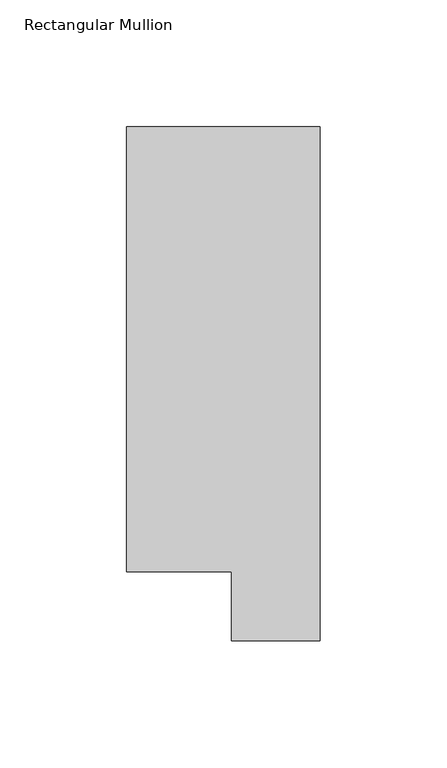
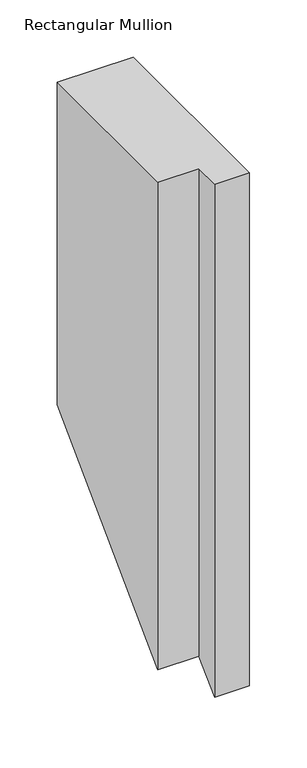
"""IFC4 building model written with IfcOpenShell, lengths in millimetres: member geometry, Rectangular Mullion."""

from ifc_helpers import new_model, si_unit, origin, place, context, project, spatial, faceted_brep, source, transform, mapped, element, save


def rectangular_mullion_9abcc2d5(model_context):
    return source(origin(), model_context, "Body", "Brep", [
        faceted_brep([(0.0, 222.0301312, 0.0), (-76.2, 222.0301312, 0.0), (-76.2, 46.7447302, 0.0), (-34.9123, 46.7447302, 0.0), (-34.9123, 19.5667312, 0.0), (0.0, 19.5667312, 0.0), (0.0, 222.0301312, -343.1198686), (-76.2, 222.0301312, -343.1198686), (-76.2, 46.7447302, -518.4052697), (-34.9123, 46.7447302, -518.4052697), (-34.9123, 19.5667312, -545.5832686), (0.0, 19.5667312, -545.5832686)], [[[0, 1, 2, 3, 4, 5]], [[1, 0, 6, 7]], [[2, 1, 7, 8]], [[3, 2, 8, 9]], [[4, 3, 9, 10]], [[5, 4, 10, 11]], [[0, 5, 11, 6]], [[6, 11, 10, 9, 8, 7]]]),
    ])


if __name__ == "__main__":
    model = new_model("IFC4")
    model_context = context("Model", 3, world=origin())
    ifc_project = project(units=[si_unit("LENGTHUNIT", "METRE", prefix="MILLI")], contexts=[model_context])
    site = spatial("IfcSite", under=ifc_project)
    building = spatial("IfcBuilding", under=site)
    placement = place(None, origin())
    rectangular_mullion_shape = rectangular_mullion_9abcc2d5(model_context)
    element("IfcMember", 1, ObjectType="Rectangular Mullion", at=placement, inside=building, context=model_context, shape_type="MappedRepresentation", body=[
        mapped(rectangular_mullion_shape, transform((0.0, 0.0, 0.0), x_axis=(1.0, 0.0, 0.0), y_axis=(0.0, 1.0, 0.0), z_axis=(0.0, 0.0, 1.0))),
    ])
    save(model, "model.ifc")
